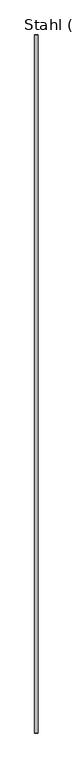
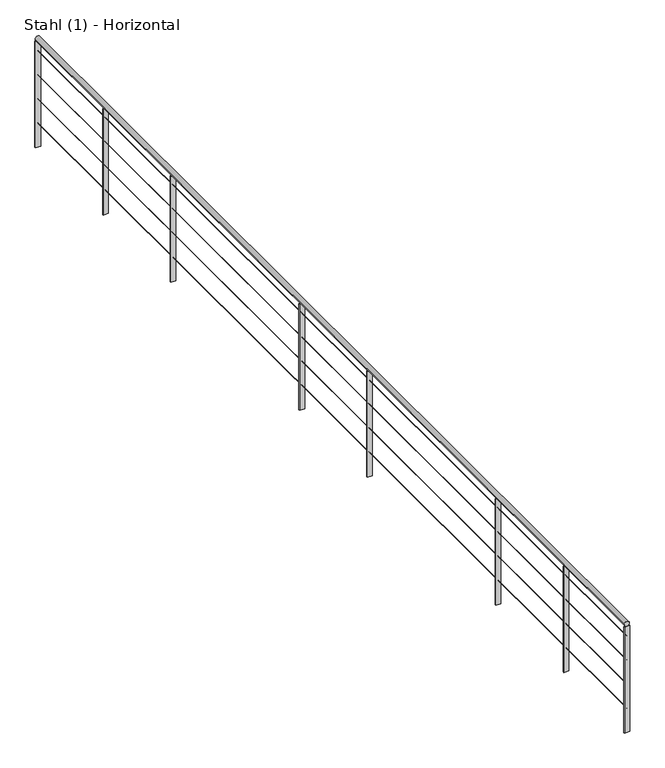
"""IFC4 building model written with IfcOpenShell, lengths in millimetres: railing geometry, Stahl (1) - Horizontal."""

from ifc_helpers import new_model, si_unit, point, frame, frame_2d, origin, place, context, project, spatial, polyline, circle_curve, trimmed, segment, composite_curve, outline, extrude, source, transform, mapped, element, save


def stahl_1_horizontal_f521cf64(model_context):
    return source(origin(), model_context, "Body", "SweptSolid", [
        extrude(outline(composite_curve([segment(trimmed(circle_curve(frame_2d((4700.0, 33034.11401)), 20.0), [point((4700.0, 33014.11401))], [point((4700.0, 33054.11401))], False, "CARTESIAN"), True, "CONTINUOUS"), segment(trimmed(circle_curve(frame_2d((4700.0, 33034.11401)), 20.0), [point((4700.0, 33054.11401))], [point((4700.0, 33014.11401))], False, "CARTESIAN"), True, "CONTINUOUS")], self_intersect=False)), frame((0.0, 28262.2783324, 0.0), z_axis=(0.0, 1.0, 0.0), x_axis=(0.0, 0.0, 1.0)), (0.0, 0.0, 1.0), 8017.8671634),
        extrude(outline(composite_curve([segment(trimmed(circle_curve(frame_2d((4598.5, 33034.11401)), 1.5), [point((4598.5, 33032.61401))], [point((4598.5, 33035.61401))], False, "CARTESIAN"), True, "CONTINUOUS"), segment(trimmed(circle_curve(frame_2d((4598.5, 33034.11401)), 1.5), [point((4598.5, 33035.61401))], [point((4598.5, 33032.61401))], False, "CARTESIAN"), True, "CONTINUOUS")], self_intersect=False)), frame((0.0, 28262.2783324, 0.0), z_axis=(0.0, 1.0, 0.0), x_axis=(0.0, 0.0, 1.0)), (0.0, 0.0, 1.0), 8017.8671634),
        extrude(outline(composite_curve([segment(trimmed(circle_curve(frame_2d((4398.5, 33034.11401)), 1.5), [point((4398.5, 33032.61401))], [point((4398.5, 33035.61401))], False, "CARTESIAN"), True, "CONTINUOUS"), segment(trimmed(circle_curve(frame_2d((4398.5, 33034.11401)), 1.5), [point((4398.5, 33035.61401))], [point((4398.5, 33032.61401))], False, "CARTESIAN"), True, "CONTINUOUS")], self_intersect=False)), frame((0.0, 28262.2783324, 0.0), z_axis=(0.0, 1.0, 0.0), x_axis=(0.0, 0.0, 1.0)), (0.0, 0.0, 1.0), 8017.8671634),
        extrude(outline(composite_curve([segment(trimmed(circle_curve(frame_2d((4198.5, 33034.11401)), 1.5), [point((4198.5, 33032.61401))], [point((4198.5, 33035.61401))], False, "CARTESIAN"), True, "CONTINUOUS"), segment(trimmed(circle_curve(frame_2d((4198.5, 33034.11401)), 1.5), [point((4198.5, 33035.61401))], [point((4198.5, 33032.61401))], False, "CARTESIAN"), True, "CONTINUOUS")], self_intersect=False)), frame((0.0, 28262.2783324, 0.0), z_axis=(0.0, 1.0, 0.0), x_axis=(0.0, 0.0, 1.0)), (0.0, 0.0, 1.0), 8017.8671634),
        extrude(outline(composite_curve([segment(trimmed(circle_curve(frame_2d((3998.5, 33034.11401)), 1.5), [point((3998.5, 33032.61401))], [point((3998.5, 33035.61401))], False, "CARTESIAN"), True, "CONTINUOUS"), segment(trimmed(circle_curve(frame_2d((3998.5, 33034.11401)), 1.5), [point((3998.5, 33035.61401))], [point((3998.5, 33032.61401))], False, "CARTESIAN"), True, "CONTINUOUS")], self_intersect=False)), frame((0.0, 28262.2783324, 0.0), z_axis=(0.0, 1.0, 0.0), x_axis=(0.0, 0.0, 1.0)), (0.0, 0.0, 1.0), 8017.8671634),
        extrude(outline(polyline([(33054.11401, 29095.7128665), (33054.11401, 29087.7128665), (33014.11401, 29087.7128665), (33014.11401, 29095.7128665), (33054.11401, 29095.7128665)])), frame((0.0, 0.0, 3800.0), z_axis=(0.0, 0.0, 1.0), x_axis=(1.0, 0.0, 0.0)), (0.0, 0.0, 1.0), 880.0),
        extrude(outline(polyline([(33054.11401, 30017.3067934), (33054.11401, 30009.3067934), (33014.11401, 30009.3067934), (33014.11401, 30017.3067934), (33054.11401, 30017.3067934)])), frame((0.0, 0.0, 3800.0), z_axis=(0.0, 0.0, 1.0), x_axis=(1.0, 0.0, 0.0)), (0.0, 0.0, 1.0), 880.0),
        extrude(outline(polyline([(33054.11401, 31768.3352543), (33054.11401, 31760.3352543), (33014.11401, 31760.3352543), (33014.11401, 31768.3352543), (33054.11401, 31768.3352543)])), frame((0.0, 0.0, 3800.0), z_axis=(0.0, 0.0, 1.0), x_axis=(1.0, 0.0, 0.0)), (0.0, 0.0, 1.0), 880.0),
        extrude(outline(polyline([(33054.11401, 32689.9291811), (33054.11401, 32681.9291811), (33014.11401, 32681.9291811), (33014.11401, 32689.9291811), (33054.11401, 32689.9291811)])), frame((0.0, 0.0, 3800.0), z_axis=(0.0, 0.0, 1.0), x_axis=(1.0, 0.0, 0.0)), (0.0, 0.0, 1.0), 880.0),
        extrude(outline(polyline([(33054.11401, 34440.9576421), (33054.11401, 34432.9576421), (33014.11401, 34432.9576421), (33014.11401, 34440.9576421), (33054.11401, 34440.9576421)])), frame((0.0, 0.0, 3800.0), z_axis=(0.0, 0.0, 1.0), x_axis=(1.0, 0.0, 0.0)), (0.0, 0.0, 1.0), 880.0),
        extrude(outline(polyline([(33054.11401, 35362.5515689), (33054.11401, 35354.5515689), (33014.11401, 35354.5515689), (33014.11401, 35362.5515689), (33054.11401, 35362.5515689)])), frame((0.0, 0.0, 3800.0), z_axis=(0.0, 0.0, 1.0), x_axis=(1.0, 0.0, 0.0)), (0.0, 0.0, 1.0), 880.0),
        extrude(outline(polyline([(33054.11401, 28266.2783324), (33054.11401, 28258.2783324), (33014.11401, 28258.2783324), (33014.11401, 28266.2783324), (33054.11401, 28266.2783324)])), frame((0.0, 0.0, 3800.0), z_axis=(0.0, 0.0, 1.0), x_axis=(1.0, 0.0, 0.0)), (0.0, 0.0, 1.0), 880.0),
        extrude(outline(polyline([(33054.11401, 36284.1454958), (33054.11401, 36276.1454958), (33014.11401, 36276.1454958), (33014.11401, 36284.1454958), (33054.11401, 36284.1454958)])), frame((0.0, 0.0, 3800.0), z_axis=(0.0, 0.0, 1.0), x_axis=(1.0, 0.0, 0.0)), (0.0, 0.0, 1.0), 880.0),
    ])


if __name__ == "__main__":
    model = new_model("IFC4")
    model_context = context("Model", 3, world=origin())
    ifc_project = project(units=[si_unit("LENGTHUNIT", "METRE", prefix="MILLI")], contexts=[model_context])
    site = spatial("IfcSite", under=ifc_project)
    building = spatial("IfcBuilding", under=site)
    placement = place(None, origin())
    stahl_1_horizontal_shape = stahl_1_horizontal_f521cf64(model_context)
    element("IfcRailing", 1, ObjectType="Stahl (1) - Horizontal", at=placement, inside=building, context=model_context, shape_type="MappedRepresentation", body=[
        mapped(stahl_1_horizontal_shape, transform((0.0, 0.0, 0.0), x_axis=(1.0, 0.0, 0.0), y_axis=(0.0, 1.0, 0.0), z_axis=(0.0, 0.0, 1.0))),
    ])
    save(model, "model.ifc")
